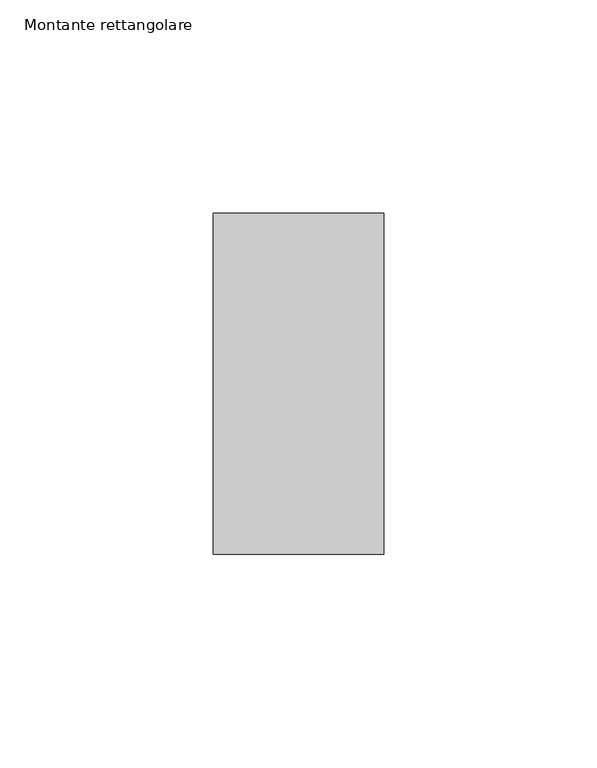
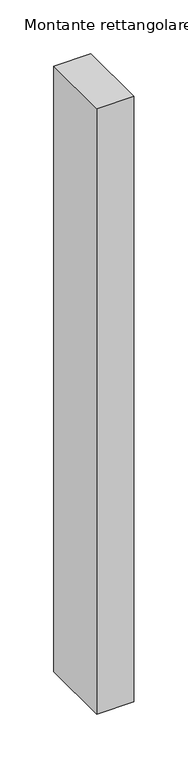
"""IFC4 building model written with IfcOpenShell, lengths in millimetres: member geometry, Montante rettangolare."""

from ifc_helpers import new_model, si_unit, frame, origin, place, context, project, spatial, polyline, outline, extrude, source, transform, mapped, element, save


def montante_rettangolare_220f63cf(model_context):
    return source(origin(), model_context, "Body", "SweptSolid", [
        extrude(outline(polyline([(20.0, 60.0), (20.0, -20.0), (-20.0, -20.0), (-20.0, 60.0), (20.0, 60.0)])), frame((0.0, 0.0, -687.8813849), z_axis=(0.0, 0.0, 1.0), x_axis=(1.0, 0.0, 0.0)), (0.0, 0.0, 1.0), 687.8813849),
    ])


if __name__ == "__main__":
    model = new_model("IFC4")
    model_context = context("Model", 3, world=origin())
    ifc_project = project(units=[si_unit("LENGTHUNIT", "METRE", prefix="MILLI")], contexts=[model_context])
    site = spatial("IfcSite", under=ifc_project)
    building = spatial("IfcBuilding", under=site)
    placement = place(None, origin())
    montante_rettangolare_shape = montante_rettangolare_220f63cf(model_context)
    element("IfcMember", 1, ObjectType="Montante rettangolare", at=placement, inside=building, context=model_context, shape_type="MappedRepresentation", body=[
        mapped(montante_rettangolare_shape, transform((0.0, 0.0, 0.0), x_axis=(1.0, 0.0, 0.0), y_axis=(0.0, 1.0, 0.0), z_axis=(0.0, 0.0, 1.0))),
    ])
    save(model, "model.ifc")
